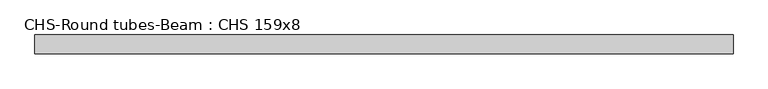
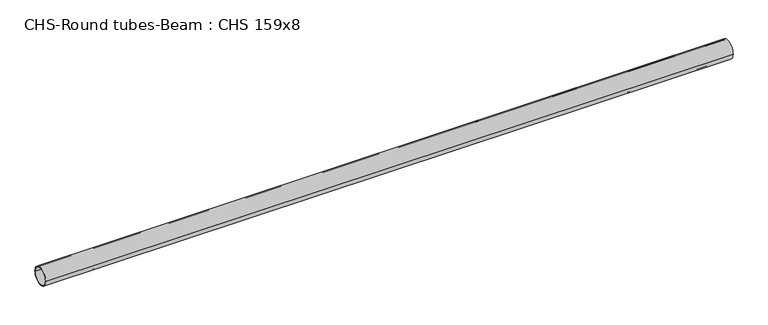
"""IFC4 building model written with IfcOpenShell, lengths in millimetres: beam geometry, CHS-Round tubes-Beam : CHS 159x8."""

from ifc_helpers import new_model, si_unit, point, frame, origin, origin_2d, place, context, project, spatial, circle_curve, trimmed, segment, composite_curve, outline, extrude, source, transform, mapped, element, save


def chs_round_tubes_beam_chs_159x8_c5ae1df9(model_context):
    return source(origin(), model_context, "Body", "SweptSolid", [
        extrude(outline(composite_curve([segment(trimmed(circle_curve(origin_2d(), 79.5), [point((79.5, 0.0))], [point((-79.5, 0.0))], False, "CARTESIAN"), True, "CONTINUOUS"), segment(trimmed(circle_curve(origin_2d(), 79.5), [point((-79.5, 0.0))], [point((79.5, 0.0))], False, "CARTESIAN"), True, "CONTINUOUS")], self_intersect=False), holes=[composite_curve([segment(trimmed(circle_curve(origin_2d(), 71.5), [point((71.5, 0.0))], [point((-71.5, 0.0))], True, "CARTESIAN"), True, "CONTINUOUS"), segment(trimmed(circle_curve(origin_2d(), 71.5), [point((-71.5, 0.0))], [point((71.5, 0.0))], True, "CARTESIAN"), True, "CONTINUOUS")], self_intersect=False)]), frame((-2966.8370429, 0.0, 0.0), z_axis=(1.0, 0.0, 0.0), x_axis=(0.0, 1.0, 0.0)), (0.0, 0.0, 1.0), 5933.6740857),
    ])


if __name__ == "__main__":
    model = new_model("IFC4")
    model_context = context("Model", 3, world=origin())
    ifc_project = project(units=[si_unit("LENGTHUNIT", "METRE", prefix="MILLI")], contexts=[model_context])
    site = spatial("IfcSite", under=ifc_project)
    building = spatial("IfcBuilding", under=site)
    placement = place(None, origin())
    chs_round_tubes_beam_chs_159x8_shape = chs_round_tubes_beam_chs_159x8_c5ae1df9(model_context)
    element("IfcBeam", 1, ObjectType="CHS-Round tubes-Beam : CHS 159x8", at=placement, inside=building, context=model_context, shape_type="MappedRepresentation", body=[
        mapped(chs_round_tubes_beam_chs_159x8_shape, transform((0.0, 0.0, 0.0), x_axis=(1.0, 0.0, 0.0), y_axis=(0.0, 1.0, 0.0), z_axis=(0.0, 0.0, 1.0))),
    ])
    save(model, "model.ifc")
